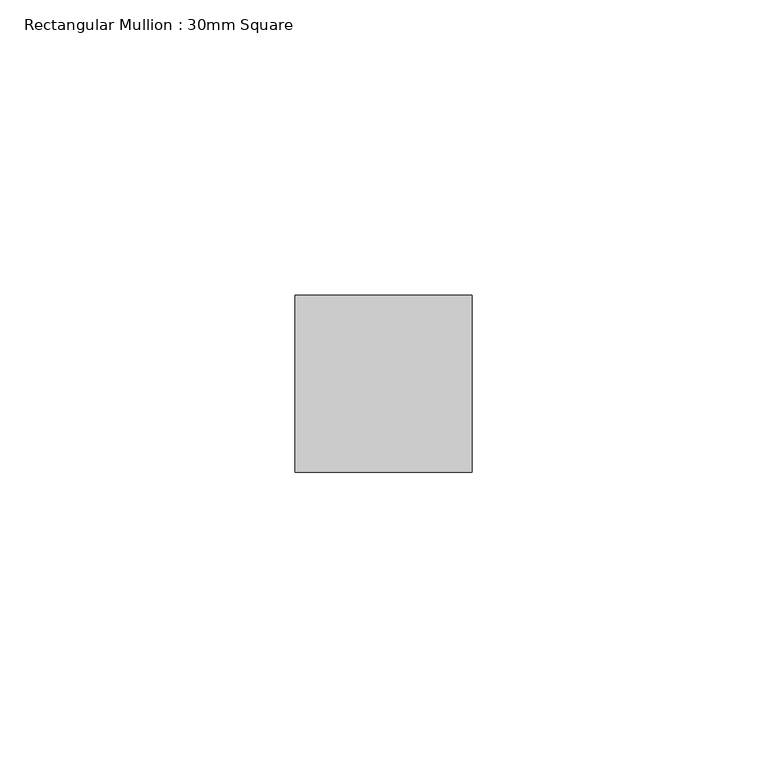
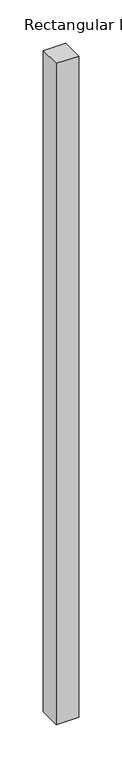
"""IFC4 building model written with IfcOpenShell, lengths in millimetres: member geometry, Rectangular Mullion : 30mm Square."""

from ifc_helpers import new_model, si_unit, frame, origin, place, context, project, spatial, polyline, outline, extrude, source, transform, mapped, element, save


def rectangular_mullion_30mm_square_91593521(model_context):
    return source(origin(), model_context, "Body", "SweptSolid", [
        extrude(outline(polyline([(0.0, 15.0), (0.0, -15.0), (-30.0, -15.0), (-30.0, 15.0), (0.0, 15.0)])), frame((0.0, 0.0, -934.6171562), z_axis=(0.0, 0.0, 1.0), x_axis=(1.0, 0.0, 0.0)), (0.0, 0.0, 1.0), 934.6171562),
    ])


if __name__ == "__main__":
    model = new_model("IFC4")
    model_context = context("Model", 3, world=origin())
    ifc_project = project(units=[si_unit("LENGTHUNIT", "METRE", prefix="MILLI")], contexts=[model_context])
    site = spatial("IfcSite", under=ifc_project)
    building = spatial("IfcBuilding", under=site)
    placement = place(None, origin())
    rectangular_mullion_30mm_square_shape = rectangular_mullion_30mm_square_91593521(model_context)
    element("IfcMember", 1, ObjectType="Rectangular Mullion : 30mm Square", at=placement, inside=building, context=model_context, shape_type="MappedRepresentation", body=[
        mapped(rectangular_mullion_30mm_square_shape, transform((0.0, 0.0, 0.0), x_axis=(1.0, 0.0, 0.0), y_axis=(0.0, 1.0, 0.0), z_axis=(0.0, 0.0, 1.0))),
    ])
    save(model, "model.ifc")
